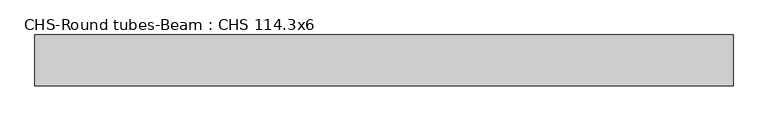
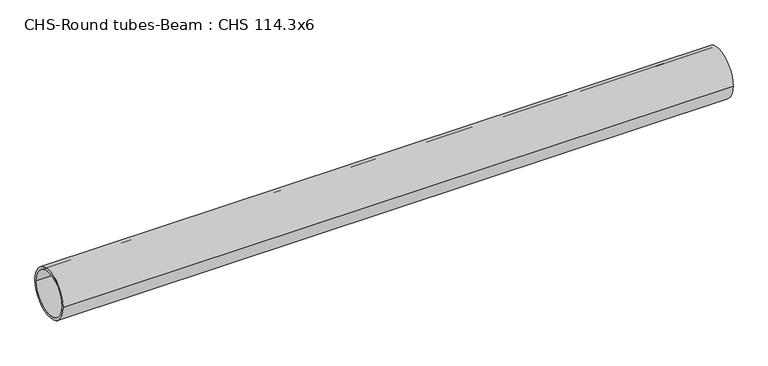
"""IFC4 building model written with IfcOpenShell, lengths in millimetres: beam geometry, CHS-Round tubes-Beam : CHS 114.3x6."""

from ifc_helpers import new_model, si_unit, point, frame, origin, origin_2d, place, context, project, spatial, circle_curve, trimmed, segment, composite_curve, outline, extrude, source, transform, mapped, element, save


def chs_round_tubes_beam_chs_114_3x6_3986b035(model_context):
    return source(origin(), model_context, "Body", "SweptSolid", [
        extrude(outline(composite_curve([segment(trimmed(circle_curve(origin_2d(), 57.15), [point((57.15, 0.0))], [point((-57.15, 0.0))], False, "CARTESIAN"), True, "CONTINUOUS"), segment(trimmed(circle_curve(origin_2d(), 57.15), [point((-57.15, 0.0))], [point((57.15, 0.0))], False, "CARTESIAN"), True, "CONTINUOUS")], self_intersect=False), holes=[composite_curve([segment(trimmed(circle_curve(origin_2d(), 51.15), [point((51.15, 0.0))], [point((-51.15, 0.0))], True, "CARTESIAN"), True, "CONTINUOUS"), segment(trimmed(circle_curve(origin_2d(), 51.15), [point((-51.15, 0.0))], [point((51.15, 0.0))], True, "CARTESIAN"), True, "CONTINUOUS")], self_intersect=False)]), frame((-774.7957784, 0.0, 0.0), z_axis=(1.0, 0.0, 0.0), x_axis=(0.0, 1.0, 0.0)), (0.0, 0.0, 1.0), 1563.9439927),
    ])


if __name__ == "__main__":
    model = new_model("IFC4")
    model_context = context("Model", 3, world=origin())
    ifc_project = project(units=[si_unit("LENGTHUNIT", "METRE", prefix="MILLI")], contexts=[model_context])
    site = spatial("IfcSite", under=ifc_project)
    building = spatial("IfcBuilding", under=site)
    placement = place(None, origin())
    chs_round_tubes_beam_chs_114_3x6_shape = chs_round_tubes_beam_chs_114_3x6_3986b035(model_context)
    element("IfcBeam", 1, ObjectType="CHS-Round tubes-Beam : CHS 114.3x6", at=placement, inside=building, context=model_context, shape_type="MappedRepresentation", body=[
        mapped(chs_round_tubes_beam_chs_114_3x6_shape, transform((0.0, 0.0, 0.0), x_axis=(1.0, 0.0, 0.0), y_axis=(0.0, 1.0, 0.0), z_axis=(0.0, 0.0, 1.0))),
    ])
    save(model, "model.ifc")
